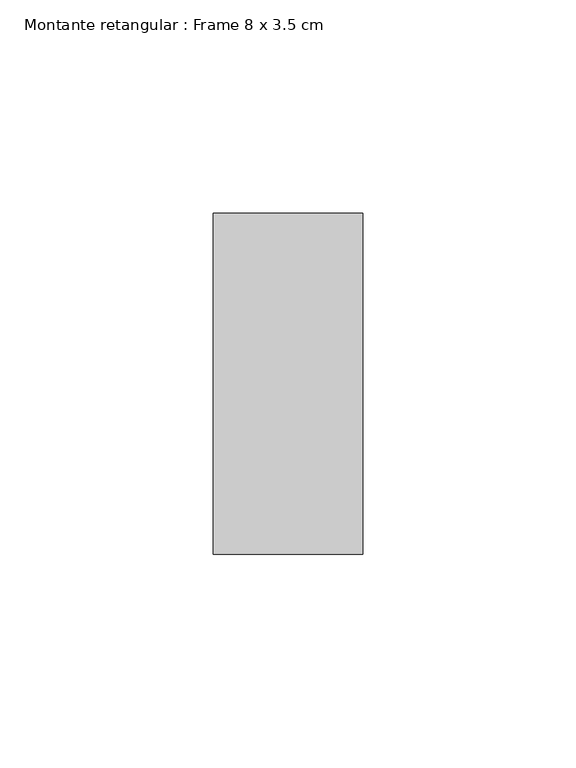
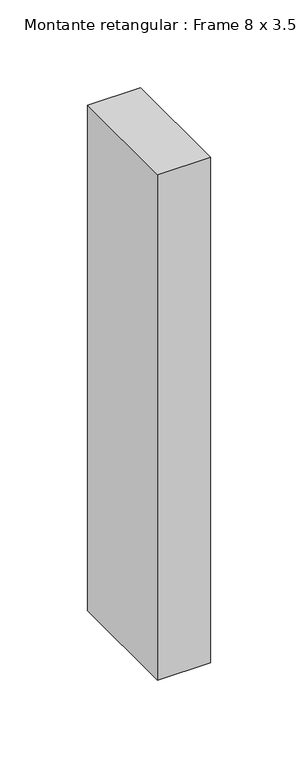
"""IFC4 building model written with IfcOpenShell, lengths in millimetres: member geometry, Montante retangular : Frame 8 x 3.5 cm."""

from ifc_helpers import new_model, si_unit, frame, origin, place, context, project, spatial, polyline, outline, extrude, source, transform, mapped, element, save


def montante_retangular_frame_8_x_3_5_cm_12e9a795(model_context):
    return source(origin(), model_context, "Body", "SweptSolid", [
        extrude(outline(polyline([(0.0, 40.0), (0.0, -40.0), (-35.0, -40.0), (-35.0, 40.0), (0.0, 40.0)])), frame((0.0, 0.0, -352.5), z_axis=(0.0, 0.0, 1.0), x_axis=(1.0, 0.0, 0.0)), (0.0, 0.0, 1.0), 352.5),
    ])


if __name__ == "__main__":
    model = new_model("IFC4")
    model_context = context("Model", 3, world=origin())
    ifc_project = project(units=[si_unit("LENGTHUNIT", "METRE", prefix="MILLI")], contexts=[model_context])
    site = spatial("IfcSite", under=ifc_project)
    building = spatial("IfcBuilding", under=site)
    placement = place(None, origin())
    montante_retangular_frame_8_x_3_5_cm_shape = montante_retangular_frame_8_x_3_5_cm_12e9a795(model_context)
    element("IfcMember", 1, ObjectType="Montante retangular : Frame 8 x 3.5 cm", at=placement, inside=building, context=model_context, shape_type="MappedRepresentation", body=[
        mapped(montante_retangular_frame_8_x_3_5_cm_shape, transform((0.0, 0.0, 0.0), x_axis=(1.0, 0.0, 0.0), y_axis=(0.0, 1.0, 0.0), z_axis=(0.0, 0.0, 1.0))),
    ])
    save(model, "model.ifc")
